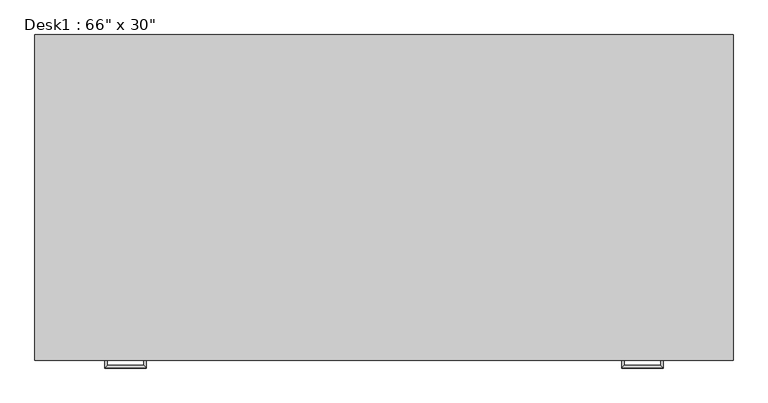
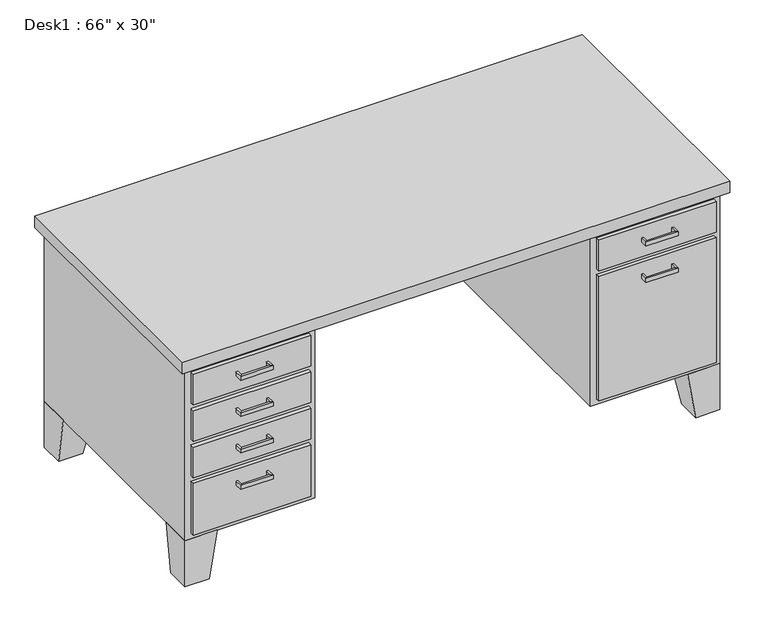
"""IFC4 building model written with IfcOpenShell, lengths in millimetres: furniture geometry."""

from ifc_helpers import new_model, si_unit, frame, origin, place, context, project, spatial, polyline, outline, extrude, faceted_brep, source, transform, mapped, element, save


def furniture_9d33da18(model_context):
    return source(origin(), model_context, "Body", "SolidModel", [
        extrude(outline(polyline([(1657.35, -762.0), (1657.35, -774.7), (1289.05, -774.7), (1289.05, -762.0), (1657.35, -762.0)])), frame((0.0, 0.0, 603.25), z_axis=(0.0, 0.0, 1.0), x_axis=(1.0, 0.0, 0.0)), (0.0, 0.0, 1.0), 101.6),
        extrude(outline(polyline([(1657.35, -762.0), (1657.35, -774.7), (1289.05, -774.7), (1289.05, -762.0), (1657.35, -762.0)])), frame((0.0, 0.0, 171.45), z_axis=(0.0, 0.0, 1.0), x_axis=(1.0, 0.0, 0.0)), (0.0, 0.0, 1.0), 412.75),
        extrude(outline(polyline([(387.35, -762.0), (387.35, -774.7), (19.05, -774.7), (19.05, -762.0), (387.35, -762.0)])), frame((0.0, 0.0, 603.25), z_axis=(0.0, 0.0, 1.0), x_axis=(1.0, 0.0, 0.0)), (0.0, 0.0, 1.0), 101.6),
        extrude(outline(polyline([(387.35, -762.0), (387.35, -774.7), (19.05, -774.7), (19.05, -762.0), (387.35, -762.0)])), frame((0.0, 0.0, 171.45), z_axis=(0.0, 0.0, 1.0), x_axis=(1.0, 0.0, 0.0)), (0.0, 0.0, 1.0), 171.45),
        extrude(outline(polyline([(387.35, -762.0), (387.35, -774.7), (19.05, -774.7), (19.05, -762.0), (387.35, -762.0)])), frame((0.0, 0.0, 482.6), z_axis=(0.0, 0.0, 1.0), x_axis=(1.0, 0.0, 0.0)), (0.0, 0.0, 1.0), 101.6),
        extrude(outline(polyline([(387.35, -762.0), (387.35, -774.7), (19.05, -774.7), (19.05, -762.0), (387.35, -762.0)])), frame((0.0, 0.0, 361.95), z_axis=(0.0, 0.0, 1.0), x_axis=(1.0, 0.0, 0.0)), (0.0, 0.0, 1.0), 101.6),
        faceted_brep([(1574.8, -762.0, 152.4), (1676.4, -762.0, 152.4), (1676.4, -660.4, 152.4), (1574.8, -660.4, 152.4), (1600.2, -762.0, 0.0), (1600.2, -685.8, 0.0), (1676.4, -685.8, 0.0), (1676.4, -762.0, 0.0)], [[[0, 1, 2, 3]], [[4, 5, 6, 7]], [[4, 0, 3, 5]], [[5, 3, 2, 6]], [[6, 2, 1, 7]], [[7, 1, 0, 4]]]),
        faceted_brep([(1574.8, 0.0, 152.4), (1574.8, -101.6, 152.4), (1676.4, -101.6, 152.4), (1676.4, 0.0, 152.4), (1600.2, 0.0, 0.0), (1676.4, 0.0, 0.0), (1676.4, -76.2, 0.0), (1600.2, -76.2, 0.0)], [[[0, 1, 2, 3]], [[4, 5, 6, 7]], [[4, 0, 3, 5]], [[5, 3, 2, 6]], [[6, 2, 1, 7]], [[7, 1, 0, 4]]]),
        faceted_brep([(101.6, 0.0, 152.4), (0.0, 0.0, 152.4), (0.0, -101.6, 152.4), (101.6, -101.6, 152.4), (76.2, 0.0, 0.0), (76.2, -76.2, 0.0), (0.0, -76.2, 0.0), (0.0, 0.0, 0.0)], [[[0, 1, 2, 3]], [[4, 5, 6, 7]], [[4, 0, 3, 5]], [[5, 3, 2, 6]], [[6, 2, 1, 7]], [[7, 1, 0, 4]]]),
        faceted_brep([(101.6, -762.0, 152.4), (101.6, -660.4, 152.4), (0.0, -660.4, 152.4), (0.0, -762.0, 152.4), (76.2, -762.0, 0.0), (0.0, -762.0, 0.0), (0.0, -685.8, 0.0), (76.2, -685.8, 0.0)], [[[0, 1, 2, 3]], [[4, 5, 6, 7]], [[4, 0, 3, 5]], [[5, 3, 2, 6]], [[6, 2, 1, 7]], [[7, 1, 0, 4]]]),
        extrude(outline(polyline([(1695.45, -781.05), (-19.05, -781.05), (-19.05, 19.05), (1695.45, 19.05), (1695.45, -781.05)])), frame((0.0, 0.0, 723.9), z_axis=(0.0, 0.0, 1.0), x_axis=(1.0, 0.0, 0.0)), (0.0, 0.0, 1.0), 38.1),
        extrude(outline(polyline([(406.4, -762.0), (0.0, -762.0), (0.0, 0.0), (1676.4, 0.0), (1676.4, -762.0), (1270.0, -762.0), (1270.0, -50.8), (406.4, -50.8), (406.4, -762.0)])), frame((0.0, 0.0, 152.4), z_axis=(0.0, 0.0, 1.0), x_axis=(1.0, 0.0, 0.0)), (0.0, 0.0, 1.0), 571.5),
        faceted_brep([(1517.65, -774.7, 546.1), (1524.0, -774.7, 546.1), (1524.0, -774.7, 533.4), (1517.65, -774.7, 533.4), (1517.65, -793.75, 533.4), (1517.65, -793.75, 546.1), (1524.0, -800.1, 533.4), (1524.0, -800.1, 546.1), (1428.75, -793.75, 533.4), (1428.75, -793.75, 546.1), (1422.4, -800.1, 533.4), (1422.4, -800.1, 546.1), (1428.75, -774.7, 546.1), (1428.75, -774.7, 533.4), (1422.4, -774.7, 533.4), (1422.4, -774.7, 546.1)], [[[0, 1, 2, 3]], [[3, 4, 5, 0]], [[2, 6, 4, 3]], [[1, 7, 6, 2]], [[0, 5, 7, 1]], [[4, 8, 9, 5]], [[6, 10, 8, 4]], [[7, 11, 10, 6]], [[5, 9, 11, 7]], [[12, 13, 14, 15]], [[8, 13, 12, 9]], [[10, 14, 13, 8]], [[11, 15, 14, 10]], [[9, 12, 15, 11]]]),
        faceted_brep([(1517.65, -774.7, 666.75), (1524.0, -774.7, 666.75), (1524.0, -774.7, 654.05), (1517.65, -774.7, 654.05), (1517.65, -793.75, 654.05), (1517.65, -793.75, 666.75), (1524.0, -800.1, 654.05), (1524.0, -800.1, 666.75), (1428.75, -793.75, 654.05), (1428.75, -793.75, 666.75), (1422.4, -800.1, 654.05), (1422.4, -800.1, 666.75), (1428.75, -774.7, 666.75), (1428.75, -774.7, 654.05), (1422.4, -774.7, 654.05), (1422.4, -774.7, 666.75)], [[[0, 1, 2, 3]], [[3, 4, 5, 0]], [[2, 6, 4, 3]], [[1, 7, 6, 2]], [[0, 5, 7, 1]], [[4, 8, 9, 5]], [[6, 10, 8, 4]], [[7, 11, 10, 6]], [[5, 9, 11, 7]], [[12, 13, 14, 15]], [[8, 13, 12, 9]], [[10, 14, 13, 8]], [[11, 15, 14, 10]], [[9, 12, 15, 11]]]),
        faceted_brep([(158.75, -774.7, 304.8), (158.75, -774.7, 292.1), (152.4, -774.7, 292.1), (152.4, -774.7, 304.8), (152.4, -800.1, 304.8), (158.75, -793.75, 304.8), (152.4, -800.1, 292.1), (158.75, -793.75, 292.1), (254.0, -800.1, 304.8), (247.65, -793.75, 304.8), (254.0, -800.1, 292.1), (247.65, -793.75, 292.1), (247.65, -774.7, 304.8), (254.0, -774.7, 304.8), (254.0, -774.7, 292.1), (247.65, -774.7, 292.1)], [[[0, 1, 2, 3]], [[3, 4, 5, 0]], [[2, 6, 4, 3]], [[1, 7, 6, 2]], [[0, 5, 7, 1]], [[4, 8, 9, 5]], [[6, 10, 8, 4]], [[7, 11, 10, 6]], [[5, 9, 11, 7]], [[12, 13, 14, 15]], [[8, 13, 12, 9]], [[10, 14, 13, 8]], [[11, 15, 14, 10]], [[9, 12, 15, 11]]]),
        faceted_brep([(158.75, -774.7, 425.45), (158.75, -774.7, 412.75), (152.4, -774.7, 412.75), (152.4, -774.7, 425.45), (152.4, -800.1, 425.45), (158.75, -793.75, 425.45), (152.4, -800.1, 412.75), (158.75, -793.75, 412.75), (254.0, -800.1, 425.45), (247.65, -793.75, 425.45), (254.0, -800.1, 412.75), (247.65, -793.75, 412.75), (247.65, -774.7, 425.45), (254.0, -774.7, 425.45), (254.0, -774.7, 412.75), (247.65, -774.7, 412.75)], [[[0, 1, 2, 3]], [[3, 4, 5, 0]], [[2, 6, 4, 3]], [[1, 7, 6, 2]], [[0, 5, 7, 1]], [[4, 8, 9, 5]], [[6, 10, 8, 4]], [[7, 11, 10, 6]], [[5, 9, 11, 7]], [[12, 13, 14, 15]], [[8, 13, 12, 9]], [[10, 14, 13, 8]], [[11, 15, 14, 10]], [[9, 12, 15, 11]]]),
        faceted_brep([(158.75, -774.7, 546.1), (158.75, -774.7, 533.4), (152.4, -774.7, 533.4), (152.4, -774.7, 546.1), (152.4, -800.1, 546.1), (158.75, -793.75, 546.1), (152.4, -800.1, 533.4), (158.75, -793.75, 533.4), (254.0, -800.1, 546.1), (247.65, -793.75, 546.1), (254.0, -800.1, 533.4), (247.65, -793.75, 533.4), (247.65, -774.7, 546.1), (254.0, -774.7, 546.1), (254.0, -774.7, 533.4), (247.65, -774.7, 533.4)], [[[0, 1, 2, 3]], [[3, 4, 5, 0]], [[2, 6, 4, 3]], [[1, 7, 6, 2]], [[0, 5, 7, 1]], [[4, 8, 9, 5]], [[6, 10, 8, 4]], [[7, 11, 10, 6]], [[5, 9, 11, 7]], [[12, 13, 14, 15]], [[8, 13, 12, 9]], [[10, 14, 13, 8]], [[11, 15, 14, 10]], [[9, 12, 15, 11]]]),
        faceted_brep([(158.75, -774.7, 666.75), (158.75, -774.7, 654.05), (152.4, -774.7, 654.05), (152.4, -774.7, 666.75), (152.4, -800.1, 666.75), (158.75, -793.75, 666.75), (152.4, -800.1, 654.05), (158.75, -793.75, 654.05), (254.0, -800.1, 666.75), (247.65, -793.75, 666.75), (254.0, -800.1, 654.05), (247.65, -793.75, 654.05), (247.65, -774.7, 666.75), (254.0, -774.7, 666.75), (254.0, -774.7, 654.05), (247.65, -774.7, 654.05)], [[[0, 1, 2, 3]], [[3, 4, 5, 0]], [[2, 6, 4, 3]], [[1, 7, 6, 2]], [[0, 5, 7, 1]], [[4, 8, 9, 5]], [[6, 10, 8, 4]], [[7, 11, 10, 6]], [[5, 9, 11, 7]], [[12, 13, 14, 15]], [[8, 13, 12, 9]], [[10, 14, 13, 8]], [[11, 15, 14, 10]], [[9, 12, 15, 11]]]),
    ])


if __name__ == "__main__":
    model = new_model("IFC4")
    model_context = context("Model", 3, world=origin())
    ifc_project = project(units=[si_unit("LENGTHUNIT", "METRE", prefix="MILLI")], contexts=[model_context])
    site = spatial("IfcSite", under=ifc_project)
    building = spatial("IfcBuilding", under=site)
    placement = place(None, origin())
    furniture_shape = furniture_9d33da18(model_context)
    element("IfcFurniture", 1, ObjectType="Desk1 : 66\" x 30\"", at=placement, inside=building, context=model_context, shape_type="MappedRepresentation", body=[
        mapped(furniture_shape, transform((0.0, 0.0, 0.0), x_axis=(1.0, 0.0, 0.0), y_axis=(0.0, 1.0, 0.0), z_axis=(0.0, 0.0, 1.0))),
    ])
    save(model, "model.ifc")
